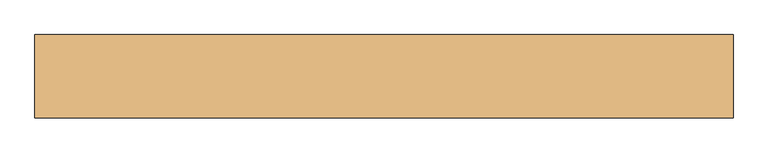
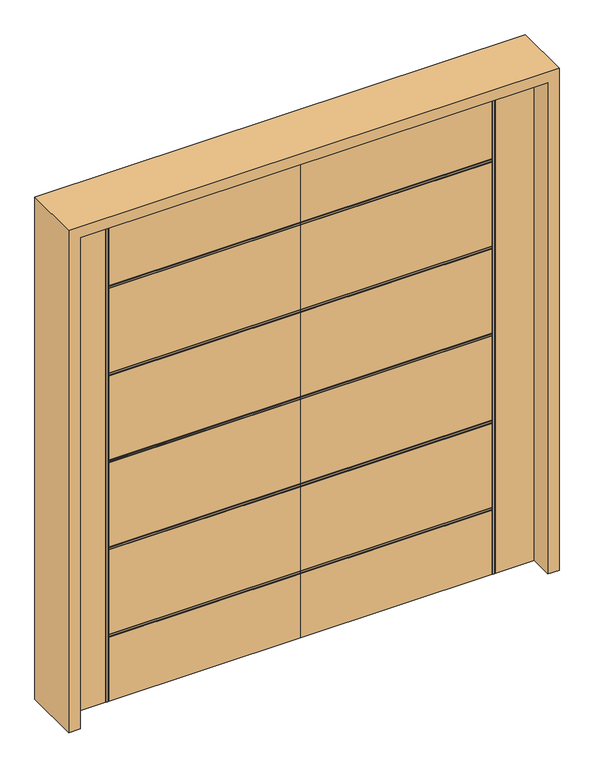
"""IFC4 building model written with IfcOpenShell, lengths in millimetres: door geometry."""

from ifc_helpers import new_model, si_unit, frame, origin, place, context, project, spatial, polyline, outline, extrude, faceted_brep, source, transform, mapped, element, save


def door_6f96bd28(model_context):
    return source(origin(), model_context, "Body", "SolidModel", [
        faceted_brep([(0.0, -22.225, 0.0), (-749.3, -22.225, 0.0), (-749.3, -18.923, 0.0), (-752.602, -18.923, 0.0), (-752.602, -22.225, 0.0), (-758.698, -22.225, 0.0), (-758.698, -18.923, 0.0), (-762.0, -18.923, 0.0), (-762.0, -22.225, 0.0), (-914.4, -22.225, 0.0), (-914.4, 22.225, 0.0), (-762.0, 22.225, 0.0), (-762.0, 18.923, 0.0), (-758.698, 18.923, 0.0), (-758.698, 22.225, 0.0), (-752.602, 22.225, 0.0), (-752.602, 18.923, 0.0), (-749.3, 18.923, 0.0), (-749.3, 22.225, 0.0), (0.0, 22.225, 0.0), (0.0, -22.225, 2032.0), (0.0, -22.225, 1719.838), (0.0, -18.923, 1719.838), (0.0, -18.923, 1716.536), (0.0, -22.225, 1716.536), (0.0, -22.225, 1710.44), (0.0, -18.923, 1710.44), (0.0, -18.923, 1707.138), (0.0, -22.225, 1707.138), (0.0, -22.225, 1359.412), (0.0, -18.923, 1359.412), (0.0, -18.923, 1356.11), (0.0, -22.225, 1356.11), (0.0, -22.225, 1350.014), (0.0, -18.923, 1350.014), (0.0, -18.923, 1346.712), (0.0, -22.225, 1346.712), (0.0, -22.225, 998.986), (0.0, -18.923, 998.986), (0.0, -18.923, 995.684), (0.0, -22.225, 995.684), (0.0, -22.225, 989.588), (0.0, -18.923, 989.588), (0.0, -18.923, 986.286), (0.0, -22.225, 986.286), (0.0, -22.225, 638.56), (0.0, -18.923, 638.56), (0.0, -18.923, 635.258), (0.0, -22.225, 635.258), (0.0, -22.225, 629.162), (0.0, -18.923, 629.162), (0.0, -18.923, 625.86), (0.0, -22.225, 625.86), (0.0, -22.225, 278.134), (0.0, -18.923, 278.134), (0.0, -18.923, 274.832), (0.0, -22.225, 274.832), (0.0, -22.225, 268.736), (0.0, -18.923, 268.736), (0.0, -18.923, 265.434), (0.0, -22.225, 265.434), (0.0, 22.225, 265.434), (0.0, 18.923, 265.434), (0.0, 18.923, 268.736), (0.0, 22.225, 268.736), (0.0, 22.225, 274.832), (0.0, 18.923, 274.832), (0.0, 18.923, 278.134), (0.0, 22.225, 278.134), (0.0, 22.225, 625.86), (0.0, 18.923, 625.86), (0.0, 18.923, 629.162), (0.0, 22.225, 629.162), (0.0, 22.225, 635.258), (0.0, 18.923, 635.258), (0.0, 18.923, 638.56), (0.0, 22.225, 638.56), (0.0, 22.225, 986.286), (0.0, 18.923, 986.286), (0.0, 18.923, 989.588), (0.0, 22.225, 989.588), (0.0, 22.225, 995.684), (0.0, 18.923, 995.684), (0.0, 18.923, 998.986), (0.0, 22.225, 998.986), (0.0, 22.225, 1346.712), (0.0, 18.923, 1346.712), (0.0, 18.923, 1350.014), (0.0, 22.225, 1350.014), (0.0, 22.225, 1356.11), (0.0, 18.923, 1356.11), (0.0, 18.923, 1359.412), (0.0, 22.225, 1359.412), (0.0, 22.225, 1707.138), (0.0, 18.923, 1707.138), (0.0, 18.923, 1710.44), (0.0, 22.225, 1710.44), (0.0, 22.225, 1716.536), (0.0, 18.923, 1716.536), (0.0, 18.923, 1719.838), (0.0, 22.225, 1719.838), (0.0, 22.225, 2032.0), (-749.3, 22.225, 1719.838), (-749.3, 22.225, 2032.0), (-752.602, 22.225, 2032.0), (-758.698, 22.225, 2032.0), (-749.3, 22.225, 265.434), (-749.3, 22.225, 268.736), (-749.3, 22.225, 274.832), (-749.3, 22.225, 278.134), (-749.3, 22.225, 625.86), (-749.3, 22.225, 629.162), (-749.3, 22.225, 635.258), (-749.3, 22.225, 638.56), (-749.3, 22.225, 986.286), (-749.3, 22.225, 989.588), (-749.3, 22.225, 995.684), (-749.3, 22.225, 998.986), (-749.3, 22.225, 1346.712), (-749.3, 22.225, 1710.44), (-749.3, 22.225, 1716.536), (-749.3, 22.225, 1350.014), (-749.3, 22.225, 1356.11), (-749.3, 22.225, 1359.412), (-749.3, 22.225, 1707.138), (-914.4, 22.225, 2032.0), (-762.0, 22.225, 2032.0), (-914.4, -22.225, 2032.0), (-762.0, -22.225, 2032.0), (-749.3, -22.225, 265.434), (-758.698, -22.225, 2032.0), (-752.602, -22.225, 2032.0), (-749.3, -22.225, 274.832), (-749.3, -22.225, 268.736), (-749.3, -22.225, 625.86), (-749.3, -22.225, 278.134), (-749.3, -22.225, 635.258), (-749.3, -22.225, 629.162), (-749.3, -22.225, 986.286), (-749.3, -22.225, 638.56), (-749.3, -22.225, 995.684), (-749.3, -22.225, 989.588), (-749.3, -22.225, 2032.0), (-749.3, -22.225, 1719.838), (-749.3, -22.225, 1716.536), (-749.3, -22.225, 1710.44), (-749.3, -22.225, 1346.712), (-749.3, -22.225, 998.986), (-749.3, -22.225, 1356.11), (-749.3, -22.225, 1350.014), (-749.3, -22.225, 1707.138), (-749.3, -22.225, 1359.412), (-762.0, -18.923, 2032.0), (-758.698, -18.923, 2032.0), (-752.602, -18.923, 2032.0), (-749.3, -18.923, 2032.0), (-749.3, 18.923, 2032.0), (-752.602, 18.923, 2032.0), (-758.698, 18.923, 2032.0), (-762.0, 18.923, 2032.0), (-749.3, 18.923, 265.434), (-749.3, 18.923, 1719.838), (-749.3, 18.923, 1716.536), (-749.3, 18.923, 1710.44), (-749.3, 18.923, 1707.138), (-749.3, 18.923, 1359.412), (-749.3, 18.923, 1356.11), (-749.3, 18.923, 1350.014), (-749.3, 18.923, 1346.712), (-749.3, 18.923, 998.986), (-749.3, 18.923, 995.684), (-749.3, 18.923, 989.588), (-749.3, 18.923, 986.286), (-749.3, 18.923, 638.56), (-749.3, 18.923, 635.258), (-749.3, 18.923, 629.162), (-749.3, 18.923, 625.86), (-749.3, 18.923, 278.134), (-749.3, 18.923, 274.832), (-749.3, 18.923, 268.736), (-749.3, -18.923, 265.434), (-749.3, -18.923, 268.736), (-749.3, -18.923, 274.832), (-749.3, -18.923, 278.134), (-749.3, -18.923, 625.86), (-749.3, -18.923, 629.162), (-749.3, -18.923, 635.258), (-749.3, -18.923, 638.56), (-749.3, -18.923, 986.286), (-749.3, -18.923, 989.588), (-749.3, -18.923, 995.684), (-749.3, -18.923, 998.986), (-749.3, -18.923, 1346.712), (-749.3, -18.923, 1350.014), (-749.3, -18.923, 1356.11), (-749.3, -18.923, 1359.412), (-749.3, -18.923, 1707.138), (-749.3, -18.923, 1710.44), (-749.3, -18.923, 1716.536), (-749.3, -18.923, 1719.838)], [[[0, 1, 2, 3, 4, 5, 6, 7, 8, 9, 10, 11, 12, 13, 14, 15, 16, 17, 18, 19]], [[20, 21, 22, 23, 24, 25, 26, 27, 28, 29, 30, 31, 32, 33, 34, 35, 36, 37, 38, 39, 40, 41, 42, 43, 44, 45, 46, 47, 48, 49, 50, 51, 52, 53, 54, 55, 56, 57, 58, 59, 60, 0, 19, 61, 62, 63, 64, 65, 66, 67, 68, 69, 70, 71, 72, 73, 74, 75, 76, 77, 78, 79, 80, 81, 82, 83, 84, 85, 86, 87, 88, 89, 90, 91, 92, 93, 94, 95, 96, 97, 98, 99, 100, 101]], [[101, 100, 102, 103]], [[104, 15, 14, 105]], [[18, 106, 61, 19]], [[64, 107, 108, 65]], [[68, 109, 110, 69]], [[72, 111, 112, 73]], [[76, 113, 114, 77]], [[80, 115, 116, 81]], [[84, 117, 118, 85]], [[96, 119, 120, 97]], [[88, 121, 122, 89]], [[92, 123, 124, 93]], [[125, 126, 11, 10]], [[125, 10, 9, 127]], [[9, 8, 128, 127]], [[0, 60, 129, 1]], [[130, 5, 4, 131]], [[56, 132, 133, 57]], [[52, 134, 135, 53]], [[48, 136, 137, 49]], [[44, 138, 139, 45]], [[40, 140, 141, 41]], [[142, 143, 21, 20]], [[24, 144, 145, 25]], [[36, 146, 147, 37]], [[32, 148, 149, 33]], [[28, 150, 151, 29]], [[127, 128, 152, 153, 130, 131, 154, 155, 142, 20, 101, 103, 156, 157, 104, 105, 158, 159, 126, 125]], [[160, 106, 18, 17]], [[13, 12, 159, 158]], [[17, 16, 157, 156, 161, 99, 98, 162, 163, 95, 94, 164, 165, 91, 90, 166, 167, 87, 86, 168, 169, 83, 82, 170, 171, 79, 78, 172, 173, 75, 74, 174, 175, 71, 70, 176, 177, 67, 66, 178, 179, 63, 62, 160]], [[16, 15, 104, 157]], [[158, 105, 14, 13]], [[12, 11, 126, 159]], [[62, 61, 106, 160]], [[66, 65, 108, 178]], [[178, 108, 107, 179]], [[179, 107, 64, 63]], [[70, 69, 110, 176]], [[176, 110, 109, 177]], [[177, 109, 68, 67]], [[74, 73, 112, 174]], [[174, 112, 111, 175]], [[175, 111, 72, 71]], [[78, 77, 114, 172]], [[172, 114, 113, 173]], [[173, 113, 76, 75]], [[82, 81, 116, 170]], [[170, 116, 115, 171]], [[171, 115, 80, 79]], [[168, 118, 117, 169]], [[169, 117, 84, 83]], [[164, 124, 123, 165]], [[94, 93, 124, 164]], [[163, 119, 96, 95]], [[162, 120, 119, 163]], [[98, 97, 120, 162]], [[161, 102, 100, 99]], [[156, 103, 102, 161]], [[86, 85, 118, 168]], [[167, 121, 88, 87]], [[166, 122, 121, 167]], [[90, 89, 122, 166]], [[165, 123, 92, 91]], [[152, 128, 8, 7]], [[3, 2, 180, 59, 58, 181, 182, 55, 54, 183, 184, 51, 50, 185, 186, 47, 46, 187, 188, 43, 42, 189, 190, 39, 38, 191, 192, 35, 34, 193, 194, 31, 30, 195, 196, 27, 26, 197, 198, 23, 22, 199, 155, 154]], [[7, 6, 153, 152]], [[6, 5, 130, 153]], [[154, 131, 4, 3]], [[2, 1, 129, 180]], [[180, 129, 60, 59]], [[58, 57, 133, 181]], [[181, 133, 132, 182]], [[182, 132, 56, 55]], [[54, 53, 135, 183]], [[183, 135, 134, 184]], [[184, 134, 52, 51]], [[50, 49, 137, 185]], [[185, 137, 136, 186]], [[186, 136, 48, 47]], [[46, 45, 139, 187]], [[187, 139, 138, 188]], [[188, 138, 44, 43]], [[42, 41, 141, 189]], [[189, 141, 140, 190]], [[190, 140, 40, 39]], [[38, 37, 147, 191]], [[191, 147, 146, 192]], [[195, 151, 150, 196]], [[196, 150, 28, 27]], [[26, 25, 145, 197]], [[197, 145, 144, 198]], [[198, 144, 24, 23]], [[22, 21, 143, 199]], [[199, 143, 142, 155]], [[192, 146, 36, 35]], [[34, 33, 149, 193]], [[193, 149, 148, 194]], [[194, 148, 32, 31]], [[30, 29, 151, 195]]]),
        faceted_brep([(0.0, -22.225, 0.0), (0.0, 22.225, 0.0), (749.3, 22.225, 0.0), (749.3, 18.923, 0.0), (752.602, 18.923, 0.0), (752.602, 22.225, 0.0), (758.698, 22.225, 0.0), (758.698, 18.923, 0.0), (762.0, 18.923, 0.0), (762.0, 22.225, 0.0), (914.4, 22.225, 0.0), (914.4, -22.225, 0.0), (762.0, -22.225, 0.0), (762.0, -18.923, 0.0), (758.698, -18.923, 0.0), (758.698, -22.225, 0.0), (752.602, -22.225, 0.0), (752.602, -18.923, 0.0), (749.3, -18.923, 0.0), (749.3, -22.225, 0.0), (0.0, -22.225, 2032.0), (0.0, 22.225, 2032.0), (0.0, 22.225, 1719.838), (0.0, 18.923, 1719.838), (0.0, 18.923, 1716.536), (0.0, 22.225, 1716.536), (0.0, 22.225, 1710.44), (0.0, 18.923, 1710.44), (0.0, 18.923, 1707.138), (0.0, 22.225, 1707.138), (0.0, 22.225, 1359.412), (0.0, 18.923, 1359.412), (0.0, 18.923, 1356.11), (0.0, 22.225, 1356.11), (0.0, 22.225, 1350.014), (0.0, 18.923, 1350.014), (0.0, 18.923, 1346.712), (0.0, 22.225, 1346.712), (0.0, 22.225, 998.986), (0.0, 18.923, 998.986), (0.0, 18.923, 995.684), (0.0, 22.225, 995.684), (0.0, 22.225, 989.588), (0.0, 18.923, 989.588), (0.0, 18.923, 986.286), (0.0, 22.225, 986.286), (0.0, 22.225, 638.56), (0.0, 18.923, 638.56), (0.0, 18.923, 635.258), (0.0, 22.225, 635.258), (0.0, 22.225, 629.162), (0.0, 18.923, 629.162), (0.0, 18.923, 625.86), (0.0, 22.225, 625.86), (0.0, 22.225, 278.134), (0.0, 18.923, 278.134), (0.0, 18.923, 274.832), (0.0, 22.225, 274.832), (0.0, 22.225, 268.736), (0.0, 18.923, 268.736), (0.0, 18.923, 265.434), (0.0, 22.225, 265.434), (0.0, -22.225, 265.434), (0.0, -18.923, 265.434), (0.0, -18.923, 268.736), (0.0, -22.225, 268.736), (0.0, -22.225, 274.832), (0.0, -18.923, 274.832), (0.0, -18.923, 278.134), (0.0, -22.225, 278.134), (0.0, -22.225, 625.86), (0.0, -18.923, 625.86), (0.0, -18.923, 629.162), (0.0, -22.225, 629.162), (0.0, -22.225, 635.258), (0.0, -18.923, 635.258), (0.0, -18.923, 638.56), (0.0, -22.225, 638.56), (0.0, -22.225, 986.286), (0.0, -18.923, 986.286), (0.0, -18.923, 989.588), (0.0, -22.225, 989.588), (0.0, -22.225, 995.684), (0.0, -18.923, 995.684), (0.0, -18.923, 998.986), (0.0, -22.225, 998.986), (0.0, -22.225, 1346.712), (0.0, -18.923, 1346.712), (0.0, -18.923, 1350.014), (0.0, -22.225, 1350.014), (0.0, -22.225, 1356.11), (0.0, -18.923, 1356.11), (0.0, -18.923, 1359.412), (0.0, -22.225, 1359.412), (0.0, -22.225, 1707.138), (0.0, -18.923, 1707.138), (0.0, -18.923, 1710.44), (0.0, -22.225, 1710.44), (0.0, -22.225, 1716.536), (0.0, -18.923, 1716.536), (0.0, -18.923, 1719.838), (0.0, -22.225, 1719.838), (749.3, 22.225, 265.434), (749.3, 22.225, 1716.536), (749.3, 22.225, 1710.44), (749.3, 22.225, 1707.138), (749.3, 22.225, 1359.412), (749.3, 22.225, 1356.11), (749.3, 22.225, 1350.014), (749.3, 22.225, 1346.712), (749.3, 22.225, 998.986), (749.3, 22.225, 995.684), (749.3, 22.225, 989.588), (749.3, 22.225, 986.286), (749.3, 22.225, 638.56), (749.3, 22.225, 635.258), (749.3, 22.225, 629.162), (749.3, 22.225, 625.86), (749.3, 22.225, 278.134), (749.3, 22.225, 274.832), (749.3, 22.225, 268.736), (914.4, 22.225, 2032.0), (762.0, 22.225, 2032.0), (752.602, 22.225, 2032.0), (758.698, 22.225, 2032.0), (749.3, 22.225, 2032.0), (749.3, 22.225, 1719.838), (914.4, -22.225, 2032.0), (749.3, -22.225, 265.434), (762.0, -22.225, 2032.0), (749.3, -22.225, 268.736), (749.3, -22.225, 274.832), (749.3, -22.225, 278.134), (749.3, -22.225, 625.86), (749.3, -22.225, 629.162), (749.3, -22.225, 635.258), (749.3, -22.225, 638.56), (749.3, -22.225, 986.286), (749.3, -22.225, 989.588), (749.3, -22.225, 995.684), (749.3, -22.225, 998.986), (749.3, -22.225, 1346.712), (749.3, -22.225, 1710.44), (749.3, -22.225, 1716.536), (749.3, -22.225, 1350.014), (749.3, -22.225, 1356.11), (749.3, -22.225, 1359.412), (749.3, -22.225, 1707.138), (749.3, -22.225, 2032.0), (749.3, -22.225, 1719.838), (758.698, -22.225, 2032.0), (752.602, -22.225, 2032.0), (762.0, 18.923, 2032.0), (758.698, 18.923, 2032.0), (752.602, 18.923, 2032.0), (749.3, 18.923, 2032.0), (749.3, -18.923, 2032.0), (752.602, -18.923, 2032.0), (758.698, -18.923, 2032.0), (762.0, -18.923, 2032.0), (749.3, 18.923, 265.434), (749.3, 18.923, 268.736), (749.3, 18.923, 274.832), (749.3, 18.923, 278.134), (749.3, 18.923, 625.86), (749.3, 18.923, 629.162), (749.3, 18.923, 635.258), (749.3, 18.923, 638.56), (749.3, 18.923, 986.286), (749.3, 18.923, 989.588), (749.3, 18.923, 995.684), (749.3, 18.923, 998.986), (749.3, 18.923, 1346.712), (749.3, 18.923, 1350.014), (749.3, 18.923, 1356.11), (749.3, 18.923, 1359.412), (749.3, 18.923, 1707.138), (749.3, 18.923, 1710.44), (749.3, 18.923, 1716.536), (749.3, 18.923, 1719.838), (749.3, -18.923, 1719.838), (749.3, -18.923, 1716.536), (749.3, -18.923, 1710.44), (749.3, -18.923, 1707.138), (749.3, -18.923, 1359.412), (749.3, -18.923, 1356.11), (749.3, -18.923, 1350.014), (749.3, -18.923, 1346.712), (749.3, -18.923, 998.986), (749.3, -18.923, 995.684), (749.3, -18.923, 989.588), (749.3, -18.923, 986.286), (749.3, -18.923, 638.56), (749.3, -18.923, 635.258), (749.3, -18.923, 629.162), (749.3, -18.923, 625.86), (749.3, -18.923, 278.134), (749.3, -18.923, 274.832), (749.3, -18.923, 268.736), (749.3, -18.923, 265.434)], [[[0, 1, 2, 3, 4, 5, 6, 7, 8, 9, 10, 11, 12, 13, 14, 15, 16, 17, 18, 19]], [[20, 21, 22, 23, 24, 25, 26, 27, 28, 29, 30, 31, 32, 33, 34, 35, 36, 37, 38, 39, 40, 41, 42, 43, 44, 45, 46, 47, 48, 49, 50, 51, 52, 53, 54, 55, 56, 57, 58, 59, 60, 61, 1, 0, 62, 63, 64, 65, 66, 67, 68, 69, 70, 71, 72, 73, 74, 75, 76, 77, 78, 79, 80, 81, 82, 83, 84, 85, 86, 87, 88, 89, 90, 91, 92, 93, 94, 95, 96, 97, 98, 99, 100, 101]], [[2, 1, 61, 102]], [[26, 25, 103, 104]], [[30, 29, 105, 106]], [[34, 33, 107, 108]], [[38, 37, 109, 110]], [[42, 41, 111, 112]], [[46, 45, 113, 114]], [[50, 49, 115, 116]], [[54, 53, 117, 118]], [[58, 57, 119, 120]], [[121, 10, 9, 122]], [[123, 124, 6, 5]], [[21, 125, 126, 22]], [[121, 127, 11, 10]], [[0, 19, 128, 62]], [[11, 127, 129, 12]], [[66, 65, 130, 131]], [[70, 69, 132, 133]], [[74, 73, 134, 135]], [[78, 77, 136, 137]], [[82, 81, 138, 139]], [[86, 85, 140, 141]], [[98, 97, 142, 143]], [[90, 89, 144, 145]], [[94, 93, 146, 147]], [[148, 20, 101, 149]], [[150, 151, 16, 15]], [[127, 121, 122, 152, 153, 124, 123, 154, 155, 125, 21, 20, 148, 156, 157, 151, 150, 158, 159, 129]], [[160, 3, 2, 102]], [[3, 160, 60, 59, 161, 162, 56, 55, 163, 164, 52, 51, 165, 166, 48, 47, 167, 168, 44, 43, 169, 170, 40, 39, 171, 172, 36, 35, 173, 174, 32, 31, 175, 176, 28, 27, 177, 178, 24, 23, 179, 155, 154, 4]], [[7, 153, 152, 8]], [[4, 154, 123, 5]], [[153, 7, 6, 124]], [[8, 152, 122, 9]], [[60, 160, 102, 61]], [[56, 162, 119, 57]], [[162, 161, 120, 119]], [[161, 59, 58, 120]], [[52, 164, 117, 53]], [[164, 163, 118, 117]], [[163, 55, 54, 118]], [[48, 166, 115, 49]], [[166, 165, 116, 115]], [[165, 51, 50, 116]], [[44, 168, 113, 45]], [[168, 167, 114, 113]], [[167, 47, 46, 114]], [[40, 170, 111, 41]], [[170, 169, 112, 111]], [[169, 43, 42, 112]], [[172, 171, 110, 109]], [[171, 39, 38, 110]], [[176, 175, 106, 105]], [[28, 176, 105, 29]], [[177, 27, 26, 104]], [[178, 177, 104, 103]], [[24, 178, 103, 25]], [[179, 23, 22, 126]], [[155, 179, 126, 125]], [[36, 172, 109, 37]], [[173, 35, 34, 108]], [[174, 173, 108, 107]], [[32, 174, 107, 33]], [[175, 31, 30, 106]], [[159, 13, 12, 129]], [[13, 159, 158, 14]], [[17, 157, 156, 180, 100, 99, 181, 182, 96, 95, 183, 184, 92, 91, 185, 186, 88, 87, 187, 188, 84, 83, 189, 190, 80, 79, 191, 192, 76, 75, 193, 194, 72, 71, 195, 196, 68, 67, 197, 198, 64, 63, 199, 18]], [[14, 158, 150, 15]], [[157, 17, 16, 151]], [[18, 199, 128, 19]], [[199, 63, 62, 128]], [[64, 198, 130, 65]], [[198, 197, 131, 130]], [[197, 67, 66, 131]], [[68, 196, 132, 69]], [[196, 195, 133, 132]], [[195, 71, 70, 133]], [[72, 194, 134, 73]], [[194, 193, 135, 134]], [[193, 75, 74, 135]], [[76, 192, 136, 77]], [[192, 191, 137, 136]], [[191, 79, 78, 137]], [[80, 190, 138, 81]], [[190, 189, 139, 138]], [[189, 83, 82, 139]], [[84, 188, 140, 85]], [[188, 187, 141, 140]], [[184, 183, 147, 146]], [[183, 95, 94, 147]], [[96, 182, 142, 97]], [[182, 181, 143, 142]], [[181, 99, 98, 143]], [[100, 180, 149, 101]], [[180, 156, 148, 149]], [[187, 87, 86, 141]], [[88, 186, 144, 89]], [[186, 185, 145, 144]], [[185, 91, 90, 145]], [[92, 184, 146, 93]]]),
        extrude(outline(polyline([(0.0, -958.85), (0.0, -914.4), (2032.0, -914.4), (2032.0, 914.4), (0.0, 914.4), (0.0, 958.85), (2076.45, 958.85), (2076.45, -958.85), (0.0, -958.85)])), frame((0.0, -114.3, 0.0), z_axis=(0.0, 1.0, 0.0), x_axis=(0.0, 0.0, 1.0)), (0.0, 0.0, 1.0), 228.6),
    ])


if __name__ == "__main__":
    model = new_model("IFC4")
    model_context = context("Model", 3, world=origin())
    ifc_project = project(units=[si_unit("LENGTHUNIT", "METRE", prefix="MILLI")], contexts=[model_context])
    site = spatial("IfcSite", under=ifc_project)
    building = spatial("IfcBuilding", under=site)
    placement = place(None, origin())
    door_shape = door_6f96bd28(model_context)
    element("IfcDoor", 1, at=placement, inside=building, context=model_context, shape_type="MappedRepresentation", body=[
        mapped(door_shape, transform((0.0, 0.0, 0.0), x_axis=(1.0, 0.0, 0.0), y_axis=(0.0, 1.0, 0.0), z_axis=(0.0, 0.0, 1.0))),
    ])
    save(model, "model.ifc")
